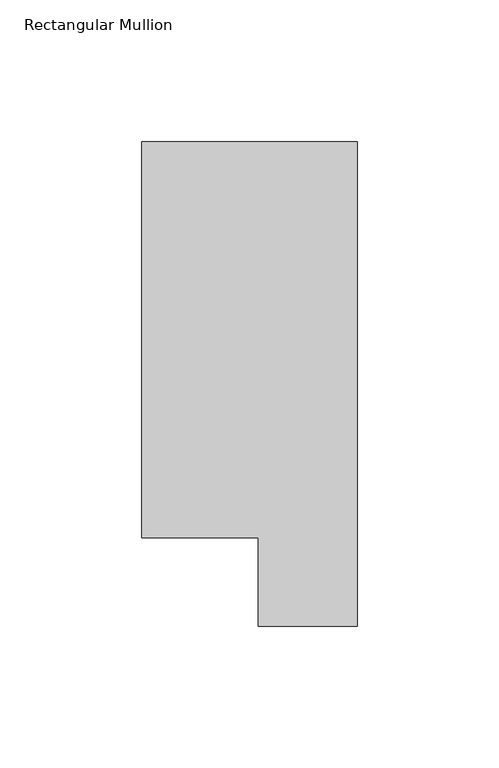
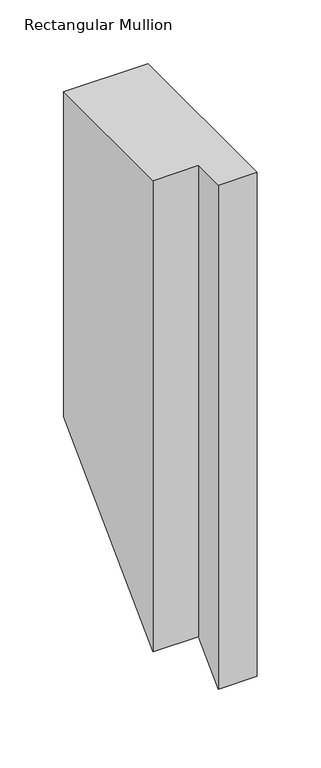
"""IFC4 building model written with IfcOpenShell, lengths in millimetres: member geometry, Rectangular Mullion."""

from ifc_helpers import new_model, si_unit, origin, place, context, project, spatial, faceted_brep, source, transform, mapped, element, save


def rectangular_mullion_6a4a06cf(model_context):
    return source(origin(), model_context, "Body", "Brep", [
        faceted_brep([(-76.2, 190.7881317, 0.0), (-76.2, 50.8087306, 0.0), (-34.9123, 50.8087306, 0.0), (-34.9123, 19.5667317, 0.0), (0.0, 19.5667317, 0.0), (0.0, 190.7881317, 0.0), (-76.2, 190.7881317, -310.5737371), (-76.2, 50.8087306, -450.5531382), (-34.9123, 50.8087306, -450.5531382), (-34.9123, 19.5667317, -481.7951371), (0.0, 19.5667317, -481.7951371), (0.0, 190.7881317, -310.5737371)], [[[0, 1, 2, 3, 4, 5]], [[1, 0, 6, 7]], [[2, 1, 7, 8]], [[3, 2, 8, 9]], [[4, 3, 9, 10]], [[5, 4, 10, 11]], [[0, 5, 11, 6]], [[6, 11, 10, 9, 8, 7]]]),
    ])


if __name__ == "__main__":
    model = new_model("IFC4")
    model_context = context("Model", 3, world=origin())
    ifc_project = project(units=[si_unit("LENGTHUNIT", "METRE", prefix="MILLI")], contexts=[model_context])
    site = spatial("IfcSite", under=ifc_project)
    building = spatial("IfcBuilding", under=site)
    placement = place(None, origin())
    rectangular_mullion_shape = rectangular_mullion_6a4a06cf(model_context)
    element("IfcMember", 1, ObjectType="Rectangular Mullion", at=placement, inside=building, context=model_context, shape_type="MappedRepresentation", body=[
        mapped(rectangular_mullion_shape, transform((0.0, 0.0, 0.0), x_axis=(1.0, 0.0, 0.0), y_axis=(0.0, 1.0, 0.0), z_axis=(0.0, 0.0, 1.0))),
    ])
    save(model, "model.ifc")
